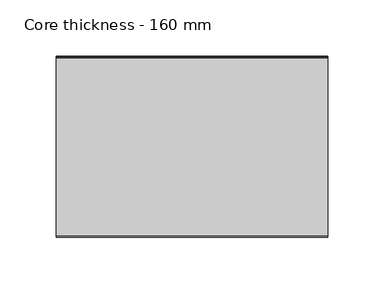
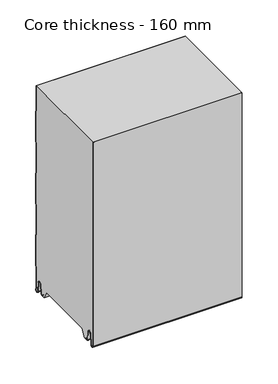
"""IFC4 building model written with IfcOpenShell, lengths in millimetres: plate geometry, Core thickness - 160 mm."""

from ifc_helpers import new_model, si_unit, frame, origin, place, context, project, spatial, polyline, circle_curve, source, transform, mapped, element, save
from ifc_brep_helpers import plane_surface, cylinder_surface, revolved_surface, advanced_brep


def core_thickness_160_mm_baa29268(model_context):
    return source(origin(), model_context, "Body", "AdvancedBrep", [
        advanced_brep(
        [(119.9999998, -159.9996949, 3.0900682), (119.9999998, -153.81449, 2.7875612), (119.9999998, -152.197116, 19.2828169), (119.9999998, -149.1776715, 21.9898782), (119.9999998, -146.1582271, 19.2828169), (119.9999998, -144.7725998, 5.1510966), (119.9999998, -140.3830995, 5.365779), (119.9999998, -141.1830995, 5.365779), (119.9999998, -143.9764178, 5.2291629), (119.9999998, -145.3620451, 19.3608832), (119.9999998, -149.1776715, 22.7899182), (119.9999998, -152.9932979, 19.3608832), (119.9999998, -154.6106719, 2.8656275), (119.9999998, -159.1996949, 3.0900682), (119.9999998, -159.2, 350.0), (119.9999998, -159.9996949, 350.0), (-119.9999998, -159.1996949, 3.0900682), (-119.9999998, -154.6106719, 2.8656275), (-119.9999998, -152.9932979, 19.3608832), (-119.9999998, -149.1776715, 22.7899182), (-119.9999998, -145.3620451, 19.3608832), (-119.9999998, -143.9764178, 5.2291629), (-119.9999998, -141.1830995, 5.365779), (-119.9999998, -140.3830995, 5.365779), (-119.9999998, -144.7725998, 5.1510966), (-119.9999998, -146.1582271, 19.2828169), (-119.9999998, -149.1776715, 21.9898782), (-119.9999998, -152.197116, 19.2828169), (-119.9999998, -153.81449, 2.7875612), (-119.9999998, -159.9996949, 3.0900682), (-119.9999998, -159.9996949, 350.0), (-119.9999998, -159.2, 350.0)],
        [
            (0, 1, circle_curve(frame((119.9999998, -156.8996949, 3.0900682), z_axis=(1.0, 0.0, 0.0), x_axis=(0.0, 0.0, -1.0)), 3.1)),
            (1, 2),
            (2, 3, circle_curve(frame((119.9999998, -149.2114338, 18.9900682), z_axis=(-1.0, 0.0, 0.0), x_axis=(0.0, 0.0, -1.0)), 3.0)),
            (3, 4, circle_curve(frame((119.9999998, -149.1439093, 18.9900682), z_axis=(-1.0, 0.0, 0.0), x_axis=(0.0, 0.0, -1.0)), 3.0)),
            (4, 5),
            (5, 6, circle_curve(frame((119.9999998, -142.5830995, 5.365779), z_axis=(1.0, 0.0, 0.0), x_axis=(0.0, 0.0, -1.0)), 2.2)),
            (6, 7),
            (7, 8, circle_curve(frame((119.9999998, -142.5830995, 5.365779), z_axis=(-1.0, 0.0, 0.0), x_axis=(0.0, 0.0, -1.0)), 1.4)),
            (8, 9),
            (9, 10, circle_curve(frame((119.9999998, -149.1439093, 18.9900682), z_axis=(1.0, 0.0, 0.0), x_axis=(0.0, 0.0, -1.0)), 3.8)),
            (10, 11, circle_curve(frame((119.9999998, -149.2114338, 18.9900682), z_axis=(1.0, 0.0, 0.0), x_axis=(0.0, 0.0, -1.0)), 3.8)),
            (11, 12),
            (12, 13, circle_curve(frame((119.9999998, -156.8996949, 3.0900682), z_axis=(-1.0, 0.0, 0.0), x_axis=(0.0, 0.0, -1.0)), 2.3)),
            (13, 14),
            (14, 15),
            (15, 0),
            (16, 17, circle_curve(frame((-119.9999998, -156.8996949, 3.0900682), z_axis=(1.0, 0.0, 0.0), x_axis=(0.0, 0.0, -1.0)), 2.3)),
            (17, 18),
            (18, 19, circle_curve(frame((-119.9999998, -149.2114338, 18.9900682), z_axis=(-1.0, 0.0, 0.0), x_axis=(0.0, 0.0, -1.0)), 3.8)),
            (19, 20, circle_curve(frame((-119.9999998, -149.1439093, 18.9900682), z_axis=(-1.0, 0.0, 0.0), x_axis=(0.0, 0.0, -1.0)), 3.8)),
            (20, 21),
            (21, 22, circle_curve(frame((-119.9999998, -142.5830995, 5.365779), z_axis=(1.0, 0.0, 0.0), x_axis=(0.0, 0.0, -1.0)), 1.4)),
            (22, 23),
            (23, 24, circle_curve(frame((-119.9999998, -142.5830995, 5.365779), z_axis=(-1.0, 0.0, 0.0), x_axis=(0.0, 0.0, -1.0)), 2.2)),
            (24, 25),
            (25, 26, circle_curve(frame((-119.9999998, -149.1439093, 18.9900682), z_axis=(1.0, 0.0, 0.0), x_axis=(0.0, 0.0, -1.0)), 3.0)),
            (26, 27, circle_curve(frame((-119.9999998, -149.2114338, 18.9900682), z_axis=(1.0, 0.0, 0.0), x_axis=(0.0, 0.0, -1.0)), 3.0)),
            (27, 28),
            (28, 29, circle_curve(frame((-119.9999998, -156.8996949, 3.0900682), z_axis=(-1.0, 0.0, 0.0), x_axis=(0.0, 0.0, -1.0)), 3.1)),
            (29, 30),
            (30, 31),
            (31, 16),
            (13, 16),
            (31, 14),
            (29, 0),
            (15, 30),
            (12, 17),
            (11, 18),
            (10, 19),
            (9, 20),
            (8, 21),
            (7, 22),
            (6, 23),
            (5, 24),
            (4, 25),
            (3, 26),
            (2, 27),
            (1, 28),
        ],
        [
            plane_surface(frame((119.9999998, -160.0, 0.0), z_axis=(1.0, 0.0, 0.0), x_axis=(0.0, 1.0, 0.0))),
            plane_surface(frame((-119.9999998, -160.0, 0.0), z_axis=(-1.0, 0.0, 0.0), x_axis=(0.0, 1.0, 0.0))),
            plane_surface(frame((119.9999998, -159.2, 3.0900682), z_axis=(0.0, 1.0, 0.0), x_axis=(-1.0, 0.0, 0.0))),
            plane_surface(frame((119.9999998, -159.9996949, 1143.9000005), z_axis=(0.0, -1.0, 0.0), x_axis=(-1.0, 0.0, 0.0))),
            revolved_surface(polyline([(-119.9999998, -156.8996949, 0.7900682000000003), (119.9999998, -156.8996949, 0.7900682000000003)]), (119.9999998, -156.8996949, 3.0900682), (-1.0, 0.0, 0.0)),
            plane_surface(frame((119.9999998, -152.9932979, 19.3608832), z_axis=(0.0, -0.9952273999818314, 0.09758289975914787), x_axis=(-1.0, 0.0, 0.0))),
            cylinder_surface(frame((119.9999998, -149.2114338, 18.9900682), z_axis=(1.0, 0.0, 0.0), x_axis=(0.0, 0.0, -1.0)), 3.8),
            cylinder_surface(frame((119.9999998, -149.1439093, 18.9900682), z_axis=(1.0, 0.0, 0.0), x_axis=(0.0, 0.0, -1.0)), 3.8),
            plane_surface(frame((119.9999998, -143.9764178, 5.2291629), z_axis=(0.0, 0.9952273999818297, 0.09758289975916531), x_axis=(-1.0, 0.0, 0.0))),
            revolved_surface(polyline([(-119.9999998, -142.5830995, 3.965779), (119.9999998, -142.5830995, 3.965779)]), (119.9999998, -142.5830995, 5.365779), (-1.0, 0.0, 0.0)),
            plane_surface(frame((119.9999998, -140.3830995, 5.365779), z_axis=(0.0, 0.0, 1.0), x_axis=(-1.0, 0.0, 0.0))),
            cylinder_surface(frame((119.9999998, -142.5830995, 5.365779), z_axis=(1.0, 0.0, 0.0), x_axis=(0.0, 0.0, -1.0)), 2.2),
            plane_surface(frame((119.9999998, -146.1582271, 19.2828169), z_axis=(0.0, -0.9952273999818296, -0.09758289975916527), x_axis=(-1.0, 0.0, 0.0))),
            revolved_surface(polyline([(-119.9999998, -149.1439093, 15.9900682), (119.9999998, -149.1439093, 15.9900682)]), (119.9999998, -149.1439093, 18.9900682), (-1.0, 0.0, 0.0)),
            revolved_surface(polyline([(-119.9999998, -149.2114338, 15.9900682), (119.9999998, -149.2114338, 15.9900682)]), (119.9999998, -149.2114338, 18.9900682), (-1.0, 0.0, 0.0)),
            plane_surface(frame((119.9999998, -153.81449, 2.7875612), z_axis=(0.0, 0.9952273999818314, -0.09758289975914787), x_axis=(-1.0, 0.0, 0.0))),
            cylinder_surface(frame((119.9999998, -156.8996949, 3.0900682), z_axis=(1.0, 0.0, 0.0), x_axis=(0.0, 0.0, -1.0)), 3.1),
            plane_surface(frame((-119.9999998, 134.0533409, 350.0), z_axis=(0.0, 0.0, 1.0), x_axis=(1.0, 0.0, 0.0))),
        ],
        [
            (0, [[1, 2, 3, 4, 5, 6, 7, 8, 9, 10, 11, 12, 13, 14, 15, 16]]),
            (1, [[17, 18, 19, 20, 21, 22, 23, 24, 25, 26, 27, 28, 29, 30, 31, 32]]),
            (2, [[33, -32, 34, -14]]),
            (3, [[35, -16, 36, -30]]),
            (4, [[-13, 37, -17, -33]]),
            (5, [[-12, 38, -18, -37]]),
            (6, [[-11, 39, -19, -38]]),
            (7, [[-10, 40, -20, -39]]),
            (8, [[-9, 41, -21, -40]]),
            (9, [[-8, 42, -22, -41]]),
            (10, [[-7, 43, -23, -42]]),
            (11, [[-6, 44, -24, -43]]),
            (12, [[-5, 45, -25, -44]]),
            (13, [[-4, 46, -26, -45]]),
            (14, [[-3, 47, -27, -46]]),
            (15, [[-2, 48, -28, -47]]),
            (16, [[-1, -35, -29, -48]]),
            (17, [[-15, -34, -31, -36]]),
        ],
    ),
        advanced_brep(
        [(119.9999998, -129.873448, 15.1417681), (119.9999998, -30.126552, 15.1417681), (119.9999998, -23.4071318, 3.165779), (119.9999998, -17.4169005, 3.165779), (119.9999998, -19.6169005, 5.365779), (119.9999998, -18.8169005, 5.365779), (119.9999998, -16.0235822, 5.2291629), (119.9999998, -14.6379549, 19.3608832), (119.9999998, -10.8223285, 22.7899182), (119.9999998, -7.0067021, 19.3608832), (119.9999998, -5.3893281, 2.8656275), (119.9999998, -1.0794848, 4.1883784), (119.9999998, -1.5003051, 5.8439114), (119.9999998, -1.5003051, 42.0511837), (119.9999998, -1.0971009, 43.4705951), (119.9999998, -0.8, 44.5229805), (119.9999998, -0.8, 94.6827637), (119.9999998, -1.0986697, 95.7341795), (119.9999998, -1.5003051, 97.1545605), (119.9999998, -1.5003051, 147.3143437), (119.9999998, -1.0971009, 148.7337551), (119.9999998, -0.8, 149.7861405), (119.9999998, -0.8, 199.9459237), (119.9999998, -1.0986697, 200.9973395), (119.9999998, -1.5003051, 202.4177205), (119.9999998, -1.5003051, 252.5775037), (119.9999998, -1.0971009, 253.9969151), (119.9999998, -0.8, 255.0493005), (119.9999998, -0.8, 305.2090837), (119.9999998, -1.0986697, 306.2604995), (119.9999998, -1.5003051, 307.6808805), (119.9999998, -1.5003051, 350.0), (119.9999998, -159.2, 350.0), (119.9999998, -159.2, 3.0900682), (119.9999998, -154.6106719, 2.8656275), (119.9999998, -152.9932979, 19.3608832), (119.9999998, -149.1776715, 22.7899182), (119.9999998, -145.3620451, 19.3608832), (119.9999998, -143.9764178, 5.2291629), (119.9999998, -141.1830995, 5.365779), (119.9999998, -140.3830995, 5.365779), (119.9999998, -142.5830995, 3.165779), (119.9999998, -136.5928682, 3.165779), (-119.9999998, -30.126552, 15.1417681), (-119.9999998, -129.873448, 15.1417681), (-119.9999998, -136.5928682, 3.165779), (-119.9999998, -142.5830995, 3.165779), (-119.9999998, -140.3830995, 5.365779), (-119.9999998, -141.1830995, 5.365779), (-119.9999998, -143.9764178, 5.2291629), (-119.9999998, -145.3620451, 19.3608832), (-119.9999998, -149.1776715, 22.7899182), (-119.9999998, -152.9932979, 19.3608832), (-119.9999998, -154.6106719, 2.8656275), (-119.9999998, -159.1996949, 3.0900682), (-119.9999998, -159.2, 350.0), (-119.9999998, -1.5003051, 350.0), (-119.9999998, -1.5003051, 307.6808805), (-119.9999998, -1.0971009, 306.2614691), (-119.9999998, -0.8, 305.2090837), (-119.9999998, -0.8, 255.0493005), (-119.9999998, -1.0986697, 253.9978846), (-119.9999998, -1.5003051, 252.5775037), (-119.9999998, -1.5003051, 202.4177205), (-119.9999998, -1.0971009, 200.9983091), (-119.9999998, -0.8, 199.9459237), (-119.9999998, -0.8, 149.7861405), (-119.9999998, -1.0986697, 148.7347246), (-119.9999998, -1.5003051, 147.3143437), (-119.9999998, -1.5003051, 97.1545605), (-119.9999998, -1.0971009, 95.7351491), (-119.9999998, -0.8, 94.6827637), (-119.9999998, -0.8, 44.5229805), (-119.9999998, -1.0986697, 43.4715646), (-119.9999998, -1.5003051, 42.0511837), (-119.9999998, -1.5003051, 5.8439114), (-119.9999998, -1.0794848, 4.1883784), (-119.9999998, -5.3893281, 2.8656275), (-119.9999998, -7.0067021, 19.3608832), (-119.9999998, -10.8223285, 22.7899182), (-119.9999998, -14.6379549, 19.3608832), (-119.9999998, -16.0235822, 5.2291629), (-119.9999998, -18.8169005, 5.365779), (-119.9999998, -19.6169005, 5.365779), (-119.9999998, -17.4169005, 3.165779), (-119.9999998, -23.4071318, 3.165779)],
        [
            (0, 1),
            (1, 2),
            (2, 3),
            (3, 4, circle_curve(frame((119.9999998, -17.4169005, 5.365779), z_axis=(-1.0, 0.0, 0.0), x_axis=(0.0, 0.0, -1.0)), 2.2)),
            (4, 5),
            (5, 6, circle_curve(frame((119.9999998, -17.4169005, 5.365779), z_axis=(1.0, 0.0, 0.0), x_axis=(0.0, 0.0, -1.0)), 1.4)),
            (6, 7),
            (7, 8, circle_curve(frame((119.9999998, -10.8560907, 18.9900682), z_axis=(-1.0, 0.0, 0.0), x_axis=(0.0, 0.0, -1.0)), 3.8)),
            (8, 9, circle_curve(frame((119.9999998, -10.7885662, 18.9900682), z_axis=(-1.0, 0.0, 0.0), x_axis=(0.0, 0.0, -1.0)), 3.8)),
            (9, 10),
            (10, 11, circle_curve(frame((119.9999998, -3.1003051, 3.0900682), z_axis=(1.0, 0.0, 0.0), x_axis=(0.0, 0.0, -1.0)), 2.3)),
            (11, 12, circle_curve(frame((119.9999998, 1.9665895, 5.8439114), z_axis=(-1.0, 0.0, 0.0), x_axis=(0.0, 0.0, -1.0)), 3.4668946)),
            (12, 13),
            (13, 14, circle_curve(frame((119.9999998, 1.1996949, 42.0511837), z_axis=(-1.0, 0.0, 0.0), x_axis=(0.0, 0.0, -1.0)), 2.7)),
            (14, 15, circle_curve(frame((119.9999998, -2.8, 44.5229805), z_axis=(1.0, 0.0, 0.0), x_axis=(0.0, 0.0, -1.0)), 2.0)),
            (15, 16),
            (16, 17, circle_curve(frame((119.9999998, -2.8, 94.6827637), z_axis=(1.0, 0.0, 0.0), x_axis=(0.0, 0.0, -1.0)), 2.0)),
            (17, 18, circle_curve(frame((119.9999998, 1.1996949, 97.1545605), z_axis=(-1.0, 0.0, 0.0), x_axis=(0.0, 0.0, -1.0)), 2.7)),
            (18, 19),
            (19, 20, circle_curve(frame((119.9999998, 1.1996949, 147.3143437), z_axis=(-1.0, 0.0, 0.0), x_axis=(0.0, 0.0, -1.0)), 2.7)),
            (20, 21, circle_curve(frame((119.9999998, -2.8, 149.7861405), z_axis=(1.0, 0.0, 0.0), x_axis=(0.0, 0.0, -1.0)), 2.0)),
            (21, 22),
            (22, 23, circle_curve(frame((119.9999998, -2.8, 199.9459237), z_axis=(1.0, 0.0, 0.0), x_axis=(0.0, 0.0, -1.0)), 2.0)),
            (23, 24, circle_curve(frame((119.9999998, 1.1996949, 202.4177205), z_axis=(-1.0, 0.0, 0.0), x_axis=(0.0, 0.0, -1.0)), 2.7)),
            (24, 25),
            (25, 26, circle_curve(frame((119.9999998, 1.1996949, 252.5775037), z_axis=(-1.0, 0.0, 0.0), x_axis=(0.0, 0.0, -1.0)), 2.7)),
            (26, 27, circle_curve(frame((119.9999998, -2.8, 255.0493005), z_axis=(1.0, 0.0, 0.0), x_axis=(0.0, 0.0, -1.0)), 2.0)),
            (27, 28),
            (28, 29, circle_curve(frame((119.9999998, -2.8, 305.2090837), z_axis=(1.0, 0.0, 0.0), x_axis=(0.0, 0.0, -1.0)), 2.0)),
            (29, 30, circle_curve(frame((119.9999998, 1.1996949, 307.6808805), z_axis=(-1.0, 0.0, 0.0), x_axis=(0.0, 0.0, -1.0)), 2.7)),
            (30, 31),
            (31, 32),
            (32, 33),
            (33, 34, circle_curve(frame((119.9999998, -156.8996949, 3.0900682), z_axis=(1.0, 0.0, 0.0), x_axis=(0.0, 0.0, -1.0)), 2.3)),
            (34, 35),
            (35, 36, circle_curve(frame((119.9999998, -149.2114338, 18.9900682), z_axis=(-1.0, 0.0, 0.0), x_axis=(0.0, 0.0, -1.0)), 3.8)),
            (36, 37, circle_curve(frame((119.9999998, -149.1439093, 18.9900682), z_axis=(-1.0, 0.0, 0.0), x_axis=(0.0, 0.0, -1.0)), 3.8)),
            (37, 38),
            (38, 39, circle_curve(frame((119.9999998, -142.5830995, 5.365779), z_axis=(1.0, 0.0, 0.0), x_axis=(0.0, 0.0, -1.0)), 1.4)),
            (39, 40),
            (40, 41, circle_curve(frame((119.9999998, -142.5830995, 5.365779), z_axis=(-1.0, 0.0, 0.0), x_axis=(0.0, 0.0, -1.0)), 2.2)),
            (41, 42),
            (42, 0),
            (43, 44),
            (44, 45),
            (45, 46),
            (46, 47, circle_curve(frame((-119.9999998, -142.5830995, 5.365779), z_axis=(1.0, 0.0, 0.0), x_axis=(0.0, 0.0, -1.0)), 2.2)),
            (47, 48),
            (48, 49, circle_curve(frame((-119.9999998, -142.5830995, 5.365779), z_axis=(-1.0, 0.0, 0.0), x_axis=(0.0, 0.0, -1.0)), 1.4)),
            (49, 50),
            (50, 51, circle_curve(frame((-119.9999998, -149.1439093, 18.9900682), z_axis=(1.0, 0.0, 0.0), x_axis=(0.0, 0.0, -1.0)), 3.8)),
            (51, 52, circle_curve(frame((-119.9999998, -149.2114338, 18.9900682), z_axis=(1.0, 0.0, 0.0), x_axis=(0.0, 0.0, -1.0)), 3.8)),
            (52, 53),
            (53, 54, circle_curve(frame((-119.9999998, -156.8996949, 3.0900682), z_axis=(-1.0, 0.0, 0.0), x_axis=(0.0, 0.0, -1.0)), 2.3)),
            (54, 55),
            (55, 56),
            (56, 57),
            (57, 58, circle_curve(frame((-119.9999998, 1.1996949, 307.6808805), z_axis=(1.0, 0.0, 0.0), x_axis=(0.0, 0.0, -1.0)), 2.7)),
            (58, 59, circle_curve(frame((-119.9999998, -2.8, 305.2090837), z_axis=(-1.0, 0.0, 0.0), x_axis=(0.0, 0.0, -1.0)), 2.0)),
            (59, 60),
            (60, 61, circle_curve(frame((-119.9999998, -2.8, 255.0493005), z_axis=(-1.0, 0.0, 0.0), x_axis=(0.0, 0.0, -1.0)), 2.0)),
            (61, 62, circle_curve(frame((-119.9999998, 1.1996949, 252.5775037), z_axis=(1.0, 0.0, 0.0), x_axis=(0.0, 0.0, -1.0)), 2.7)),
            (62, 63),
            (63, 64, circle_curve(frame((-119.9999998, 1.1996949, 202.4177205), z_axis=(1.0, 0.0, 0.0), x_axis=(0.0, 0.0, -1.0)), 2.7)),
            (64, 65, circle_curve(frame((-119.9999998, -2.8, 199.9459237), z_axis=(-1.0, 0.0, 0.0), x_axis=(0.0, 0.0, -1.0)), 2.0)),
            (65, 66),
            (66, 67, circle_curve(frame((-119.9999998, -2.8, 149.7861405), z_axis=(-1.0, 0.0, 0.0), x_axis=(0.0, 0.0, -1.0)), 2.0)),
            (67, 68, circle_curve(frame((-119.9999998, 1.1996949, 147.3143437), z_axis=(1.0, 0.0, 0.0), x_axis=(0.0, 0.0, -1.0)), 2.7)),
            (68, 69),
            (69, 70, circle_curve(frame((-119.9999998, 1.1996949, 97.1545605), z_axis=(1.0, 0.0, 0.0), x_axis=(0.0, 0.0, -1.0)), 2.7)),
            (70, 71, circle_curve(frame((-119.9999998, -2.8, 94.6827637), z_axis=(-1.0, 0.0, 0.0), x_axis=(0.0, 0.0, -1.0)), 2.0)),
            (71, 72),
            (72, 73, circle_curve(frame((-119.9999998, -2.8, 44.5229805), z_axis=(-1.0, 0.0, 0.0), x_axis=(0.0, 0.0, -1.0)), 2.0)),
            (73, 74, circle_curve(frame((-119.9999998, 1.1996949, 42.0511837), z_axis=(1.0, 0.0, 0.0), x_axis=(0.0, 0.0, -1.0)), 2.7)),
            (74, 75),
            (75, 76, circle_curve(frame((-119.9999998, 1.9665895, 5.8439114), z_axis=(1.0, 0.0, 0.0), x_axis=(0.0, 0.0, -1.0)), 3.4668946)),
            (76, 77, circle_curve(frame((-119.9999998, -3.1003051, 3.0900682), z_axis=(-1.0, 0.0, 0.0), x_axis=(0.0, 0.0, -1.0)), 2.3)),
            (77, 78),
            (78, 79, circle_curve(frame((-119.9999998, -10.7885662, 18.9900682), z_axis=(1.0, 0.0, 0.0), x_axis=(0.0, 0.0, -1.0)), 3.8)),
            (79, 80, circle_curve(frame((-119.9999998, -10.8560907, 18.9900682), z_axis=(1.0, 0.0, 0.0), x_axis=(0.0, 0.0, -1.0)), 3.8)),
            (80, 81),
            (81, 82, circle_curve(frame((-119.9999998, -17.4169005, 5.365779), z_axis=(-1.0, 0.0, 0.0), x_axis=(0.0, 0.0, -1.0)), 1.4)),
            (82, 83),
            (83, 84, circle_curve(frame((-119.9999998, -17.4169005, 5.365779), z_axis=(1.0, 0.0, 0.0), x_axis=(0.0, 0.0, -1.0)), 2.2)),
            (84, 85),
            (85, 43),
            (1, 43),
            (85, 2),
            (0, 44),
            (42, 45),
            (64, 23),
            (22, 65),
            (63, 24),
            (62, 25),
            (61, 26),
            (60, 27),
            (59, 28),
            (58, 29),
            (57, 30),
            (56, 31),
            (54, 33),
            (32, 55),
            (84, 3),
            (41, 46),
            (83, 4),
            (82, 5),
            (81, 6),
            (80, 7),
            (79, 8),
            (78, 9),
            (77, 10),
            (76, 11),
            (75, 12),
            (74, 13),
            (73, 14),
            (72, 15),
            (71, 16),
            (70, 17),
            (69, 18),
            (68, 19),
            (67, 20),
            (66, 21),
            (53, 34),
            (52, 35),
            (51, 36),
            (50, 37),
            (49, 38),
            (48, 39),
            (47, 40),
        ],
        [
            plane_surface(frame((119.9999998, 0.0, 0.0), z_axis=(1.0, 0.0, 0.0), x_axis=(0.0, -1.0, 0.0))),
            plane_surface(frame((-119.9999998, 0.0, 0.0), z_axis=(-1.0, 0.0, 0.0), x_axis=(0.0, -1.0, 0.0))),
            plane_surface(frame((119.9999998, -30.126552, 15.1417681), z_axis=(0.0, -0.8721062992196836, -0.4893164649399687), x_axis=(-1.0, 0.0, 0.0))),
            plane_surface(frame((119.9999998, -129.873448, 15.1417681), z_axis=(0.0, 0.0, -1.0), x_axis=(-1.0, 0.0, 0.0))),
            plane_surface(frame((119.9999998, -136.8190247, 2.7627014), z_axis=(0.0, 0.8721062992196832, -0.4893164649399697), x_axis=(-1.0, 0.0, 0.0))),
            cylinder_surface(frame((249.9999998, -2.8, 199.9459237), z_axis=(-1.0, 0.0, 0.0), x_axis=(0.0, 0.0, -1.0)), 2.0),
            revolved_surface(polyline([(119.99999980000001, 1.1996949, 199.7177205), (-119.99999980000001, 1.1996949, 199.7177205)]), (249.9999998, 1.1996949, 202.4177205), (1.0, 0.0, 0.0)),
            plane_surface(frame((249.9999998, -1.5003051, 252.5775037), z_axis=(0.0, 1.0, 0.0), x_axis=(-1.0, 0.0, 0.0))),
            revolved_surface(polyline([(119.99999980000001, 1.1996949, 249.8775037), (-119.99999980000001, 1.1996949, 249.8775037)]), (249.9999998, 1.1996949, 252.5775037), (1.0, 0.0, 0.0)),
            cylinder_surface(frame((249.9999998, -2.8, 255.0493005), z_axis=(-1.0, 0.0, 0.0), x_axis=(0.0, 0.0, -1.0)), 2.0),
            plane_surface(frame((249.9999998, -0.8, 305.2090837), z_axis=(0.0, 1.0, 0.0), x_axis=(-1.0, 0.0, 0.0))),
            cylinder_surface(frame((249.9999998, -2.8, 305.2090837), z_axis=(-1.0, 0.0, 0.0), x_axis=(0.0, 0.0, -1.0)), 2.0),
            revolved_surface(polyline([(119.99999980000001, 1.1996949, 304.9808805), (-119.99999980000001, 1.1996949, 304.9808805)]), (249.9999998, 1.1996949, 307.6808805), (1.0, 0.0, 0.0)),
            plane_surface(frame((249.9999998, -1.5003051, 357.8406637), z_axis=(0.0, 1.0, 0.0), x_axis=(-1.0, 0.0, 0.0))),
            plane_surface(frame((249.9999998, -159.2, 3.0900682), z_axis=(0.0, -1.0, 0.0), x_axis=(-1.0, 0.0, 0.0))),
            plane_surface(frame((-119.9999998, -142.5830995, 3.165779), z_axis=(0.0, 0.0, -1.0), x_axis=(1.0, 0.0, 0.0))),
            revolved_surface(polyline([(119.99999980000001, -17.4169005, 3.1657789999999997), (-119.99999980000001, -17.4169005, 3.1657789999999997)]), (249.9999998, -17.4169005, 5.365779), (1.0, 0.0, 0.0)),
            plane_surface(frame((249.9999998, -18.8169005, 5.365779), z_axis=(0.0, 0.0, -1.0), x_axis=(-1.0, 0.0, 0.0))),
            cylinder_surface(frame((249.9999998, -17.4169005, 5.365779), z_axis=(-1.0, 0.0, 0.0), x_axis=(0.0, 0.0, -1.0)), 1.4),
            plane_surface(frame((249.9999998, -14.6379549, 19.3608832), z_axis=(0.0, 0.9952273999818297, -0.09758289975916531), x_axis=(-1.0, 0.0, 0.0))),
            revolved_surface(polyline([(119.99999980000001, -10.8560907, 15.190068199999999), (-119.99999980000001, -10.8560907, 15.190068199999999)]), (249.9999998, -10.8560907, 18.9900682), (1.0, 0.0, 0.0)),
            revolved_surface(polyline([(119.99999980000001, -10.7885662, 15.190068199999999), (-119.99999980000001, -10.7885662, 15.190068199999999)]), (249.9999998, -10.7885662, 18.9900682), (1.0, 0.0, 0.0)),
            plane_surface(frame((249.9999998, -5.3893281, 2.8656275), z_axis=(0.0, -0.9952273999818314, -0.09758289975914787), x_axis=(-1.0, 0.0, 0.0))),
            cylinder_surface(frame((249.9999998, -3.1003051, 3.0900682), z_axis=(-1.0, 0.0, 0.0), x_axis=(0.0, 0.0, -1.0)), 2.3),
            revolved_surface(polyline([(119.99999980000001, 1.9665895, 2.3770168), (-119.99999980000001, 1.9665895, 2.3770168)]), (249.9999998, 1.9665895, 5.8439114), (1.0, 0.0, 0.0)),
            plane_surface(frame((249.9999998, -1.5003051, 42.0511837), z_axis=(0.0, 1.0, 0.0), x_axis=(-1.0, 0.0, 0.0))),
            revolved_surface(polyline([(119.99999980000001, 1.1996949, 39.3511837), (-119.99999980000001, 1.1996949, 39.3511837)]), (249.9999998, 1.1996949, 42.0511837), (1.0, 0.0, 0.0)),
            cylinder_surface(frame((249.9999998, -2.8, 44.5229805), z_axis=(-1.0, 0.0, 0.0), x_axis=(0.0, 0.0, -1.0)), 2.0),
            plane_surface(frame((249.9999998, -0.8, 94.6827637), z_axis=(0.0, 1.0, 0.0), x_axis=(-1.0, 0.0, 0.0))),
            cylinder_surface(frame((249.9999998, -2.8, 94.6827637), z_axis=(-1.0, 0.0, 0.0), x_axis=(0.0, 0.0, -1.0)), 2.0),
            revolved_surface(polyline([(119.99999980000001, 1.1996949, 94.4545605), (-119.99999980000001, 1.1996949, 94.4545605)]), (249.9999998, 1.1996949, 97.1545605), (1.0, 0.0, 0.0)),
            plane_surface(frame((249.9999998, -1.5003051, 147.3143437), z_axis=(0.0, 1.0, 0.0), x_axis=(-1.0, 0.0, 0.0))),
            revolved_surface(polyline([(119.99999980000001, 1.1996949, 144.6143437), (-119.99999980000001, 1.1996949, 144.6143437)]), (249.9999998, 1.1996949, 147.3143437), (1.0, 0.0, 0.0)),
            cylinder_surface(frame((249.9999998, -2.8, 149.7861405), z_axis=(-1.0, 0.0, 0.0), x_axis=(0.0, 0.0, -1.0)), 2.0),
            plane_surface(frame((249.9999998, -0.8, 199.9459237), z_axis=(0.0, 1.0, 0.0), x_axis=(-1.0, 0.0, 0.0))),
            cylinder_surface(frame((249.9999998, -156.8996949, 3.0900682), z_axis=(-1.0, 0.0, 0.0), x_axis=(0.0, 0.0, -1.0)), 2.3),
            plane_surface(frame((249.9999998, -152.9932979, 19.3608832), z_axis=(0.0, 0.9952273999818314, -0.09758289975914787), x_axis=(-1.0, 0.0, 0.0))),
            revolved_surface(polyline([(119.99999980000001, -149.2114338, 15.190068199999999), (-119.99999980000001, -149.2114338, 15.190068199999999)]), (249.9999998, -149.2114338, 18.9900682), (1.0, 0.0, 0.0)),
            revolved_surface(polyline([(119.99999980000001, -149.1439093, 15.190068199999999), (-119.99999980000001, -149.1439093, 15.190068199999999)]), (249.9999998, -149.1439093, 18.9900682), (1.0, 0.0, 0.0)),
            plane_surface(frame((249.9999998, -143.9764178, 5.2291629), z_axis=(0.0, -0.9952273999818297, -0.09758289975916531), x_axis=(-1.0, 0.0, 0.0))),
            cylinder_surface(frame((249.9999998, -142.5830995, 5.365779), z_axis=(-1.0, 0.0, 0.0), x_axis=(0.0, 0.0, -1.0)), 1.4),
            plane_surface(frame((249.9999998, -140.3830995, 5.365779), z_axis=(0.0, 0.0, -1.0), x_axis=(-1.0, 0.0, 0.0))),
            revolved_surface(polyline([(119.99999980000001, -142.5830995, 3.1657789999999997), (-119.99999980000001, -142.5830995, 3.1657789999999997)]), (249.9999998, -142.5830995, 5.365779), (1.0, 0.0, 0.0)),
            plane_surface(frame((-119.9999998, 134.0533409, 350.0), z_axis=(0.0, 0.0, 1.0), x_axis=(1.0, 0.0, 0.0))),
        ],
        [
            (0, [[1, 2, 3, 4, 5, 6, 7, 8, 9, 10, 11, 12, 13, 14, 15, 16, 17, 18, 19, 20, 21, 22, 23, 24, 25, 26, 27, 28, 29, 30, 31, 32, 33, 34, 35, 36, 37, 38, 39, 40, 41, 42, 43]]),
            (1, [[44, 45, 46, 47, 48, 49, 50, 51, 52, 53, 54, 55, 56, 57, 58, 59, 60, 61, 62, 63, 64, 65, 66, 67, 68, 69, 70, 71, 72, 73, 74, 75, 76, 77, 78, 79, 80, 81, 82, 83, 84, 85, 86]]),
            (2, [[87, -86, 88, -2]]),
            (3, [[-1, 89, -44, -87]]),
            (4, [[-89, -43, 90, -45]]),
            (5, [[91, -23, 92, -65]]),
            (6, [[-91, -64, 93, -24]]),
            (7, [[-93, -63, 94, -25]]),
            (8, [[-94, -62, 95, -26]]),
            (9, [[-95, -61, 96, -27]]),
            (10, [[-96, -60, 97, -28]]),
            (11, [[-97, -59, 98, -29]]),
            (12, [[-98, -58, 99, -30]]),
            (13, [[-99, -57, 100, -31]]),
            (14, [[101, -33, 102, -55]]),
            (15, [[-3, -88, -85, 103]]),
            (15, [[-42, 104, -46, -90]]),
            (16, [[105, -4, -103, -84]]),
            (17, [[-105, -83, 106, -5]]),
            (18, [[-106, -82, 107, -6]]),
            (19, [[-107, -81, 108, -7]]),
            (20, [[-108, -80, 109, -8]]),
            (21, [[-109, -79, 110, -9]]),
            (22, [[-110, -78, 111, -10]]),
            (23, [[-111, -77, 112, -11]]),
            (24, [[-112, -76, 113, -12]]),
            (25, [[-113, -75, 114, -13]]),
            (26, [[-114, -74, 115, -14]]),
            (27, [[-115, -73, 116, -15]]),
            (28, [[-116, -72, 117, -16]]),
            (29, [[-117, -71, 118, -17]]),
            (30, [[-118, -70, 119, -18]]),
            (31, [[-119, -69, 120, -19]]),
            (32, [[-120, -68, 121, -20]]),
            (33, [[-121, -67, 122, -21]]),
            (34, [[-122, -66, -92, -22]]),
            (35, [[-101, -54, 123, -34]]),
            (36, [[-123, -53, 124, -35]]),
            (37, [[-124, -52, 125, -36]]),
            (38, [[-125, -51, 126, -37]]),
            (39, [[-126, -50, 127, -38]]),
            (40, [[-127, -49, 128, -39]]),
            (41, [[-128, -48, 129, -40]]),
            (42, [[-129, -47, -104, -41]]),
            (43, [[-100, -56, -102, -32]]),
        ],
    ),
        advanced_brep(
        [(-119.9999998, -0.7003051, 307.6808805), (-119.9999998, -0.4016712, 306.6295226), (-119.9999998, -0.0003051, 305.2090837), (-119.9999998, -0.0003051, 255.0493005), (-119.9999998, -0.4034608, 253.6299674), (-119.9999998, -0.7003051, 252.5775037), (-119.9999998, -0.7003051, 202.4177205), (-119.9999998, -0.4016712, 201.3663626), (-119.9999998, -0.0003051, 199.9459237), (-119.9999998, -0.0003051, 149.7861405), (-119.9999998, -0.4034608, 148.3668074), (-119.9999998, -0.7003051, 147.3143437), (-119.9999998, -0.7003051, 97.1545605), (-119.9999998, -0.4016712, 96.1032026), (-119.9999998, -0.0003051, 94.6827637), (-119.9999998, -0.0003051, 44.5229805), (-119.9999998, -0.4034608, 43.1036474), (-119.9999998, -0.7003051, 42.0511837), (-119.9999998, -0.7003051, 6.8391397), (-119.9999998, -0.2091664, 4.208691), (-119.9999998, -6.18551, 2.7875612), (-119.9999998, -7.802884, 19.2828169), (-119.9999998, -10.8223285, 21.9898782), (-119.9999998, -13.8417729, 19.2828169), (-119.9999998, -15.2274002, 5.1510966), (-119.9999998, -19.6169005, 5.365779), (-119.9999998, -18.8169005, 5.365779), (-119.9999998, -16.0235822, 5.2291629), (-119.9999998, -14.6379549, 19.3608832), (-119.9999998, -10.8223285, 22.7899182), (-119.9999998, -7.0067021, 19.3608832), (-119.9999998, -5.3893281, 2.8656275), (-119.9999998, -1.0794848, 4.1883784), (-119.9999998, -1.5003051, 5.8439114), (-119.9999998, -1.5003051, 42.0511837), (-119.9999998, -1.0971009, 43.4705951), (-119.9999998, -0.8, 44.5229805), (-119.9999998, -0.8, 94.6827637), (-119.9999998, -1.0986697, 95.7341795), (-119.9999998, -1.5003051, 97.1545605), (-119.9999998, -1.5003051, 147.3143437), (-119.9999998, -1.0971009, 148.7337551), (-119.9999998, -0.8, 149.7861405), (-119.9999998, -0.8, 199.9459237), (-119.9999998, -1.0986697, 200.9973395), (-119.9999998, -1.5003051, 202.4177205), (-119.9999998, -1.5003051, 252.5775037), (-119.9999998, -1.0971009, 253.9969151), (-119.9999998, -0.8, 255.0493005), (-119.9999998, -0.8, 305.2090837), (-119.9999998, -1.0986697, 306.2604995), (-119.9999998, -1.5003051, 307.6808805), (-119.9999998, -1.5003051, 350.0), (-119.9999998, -0.7003051, 350.0), (119.9999998, -1.5003051, 307.6808805), (119.9999998, -1.0971009, 306.2614691), (119.9999998, -0.8, 305.2090837), (119.9999998, -0.8, 255.0493005), (119.9999998, -1.0986697, 253.9978846), (119.9999998, -1.5003051, 252.5775037), (119.9999998, -1.5003051, 202.4177205), (119.9999998, -1.0971009, 200.9983091), (119.9999998, -0.8, 199.9459237), (119.9999998, -0.8, 149.7861405), (119.9999998, -1.0986697, 148.7347246), (119.9999998, -1.5003051, 147.3143437), (119.9999998, -1.5003051, 97.1545605), (119.9999998, -1.0971009, 95.7351491), (119.9999998, -0.8, 94.6827637), (119.9999998, -0.8, 44.5229805), (119.9999998, -1.0986697, 43.4715646), (119.9999998, -1.5003051, 42.0511837), (119.9999998, -1.5003051, 5.8439114), (119.9999998, -1.0794848, 4.1883784), (119.9999998, -5.3893281, 2.8656275), (119.9999998, -7.0067021, 19.3608832), (119.9999998, -10.8223285, 22.7899182), (119.9999998, -14.6379549, 19.3608832), (119.9999998, -16.0235822, 5.2291629), (119.9999998, -18.8169005, 5.365779), (119.9999998, -19.6169005, 5.365779), (119.9999998, -15.2274002, 5.1510966), (119.9999998, -13.8417729, 19.2828169), (119.9999998, -10.8223285, 21.9898782), (119.9999998, -7.802884, 19.2828169), (119.9999998, -6.18551, 2.7875612), (119.9999998, -0.2091664, 4.208691), (119.9999998, -0.7003051, 6.8391397), (119.9999998, -0.7003051, 42.0511837), (119.9999998, -0.4016712, 43.1025415), (119.9999998, -0.0003051, 44.5229805), (119.9999998, -0.0003051, 94.6827637), (119.9999998, -0.4034608, 96.1020968), (119.9999998, -0.7003051, 97.1545605), (119.9999998, -0.7003051, 147.3143437), (119.9999998, -0.4016712, 148.3657015), (119.9999998, -0.0003051, 149.7861405), (119.9999998, -0.0003051, 199.9459237), (119.9999998, -0.4034608, 201.3652568), (119.9999998, -0.7003051, 202.4177205), (119.9999998, -0.7003051, 252.5775037), (119.9999998, -0.4016712, 253.6288615), (119.9999998, -0.0003051, 255.0493005), (119.9999998, -0.0003051, 305.2090837), (119.9999998, -0.4034608, 306.6284168), (119.9999998, -0.7003051, 307.6808805), (119.9999998, -0.7003051, 350.0), (119.9999998, -1.5003051, 350.0)],
        [
            (0, 1, circle_curve(frame((-119.9999998, 1.2996949, 307.6808805), z_axis=(1.0, 0.0, 0.0), x_axis=(0.0, 0.0, -1.0)), 2.0)),
            (1, 2, circle_curve(frame((-119.9999998, -2.7003051, 305.2090837), z_axis=(-1.0, 0.0, 0.0), x_axis=(0.0, 0.0, -1.0)), 2.7)),
            (2, 3),
            (3, 4, circle_curve(frame((-119.9999998, -2.7003051, 255.0493005), z_axis=(-1.0, 0.0, 0.0), x_axis=(0.0, 0.0, -1.0)), 2.7)),
            (4, 5, circle_curve(frame((-119.9999998, 1.2996949, 252.5775037), z_axis=(1.0, 0.0, 0.0), x_axis=(0.0, 0.0, -1.0)), 2.0)),
            (5, 6),
            (6, 7, circle_curve(frame((-119.9999998, 1.2996949, 202.4177205), z_axis=(1.0, 0.0, 0.0), x_axis=(0.0, 0.0, -1.0)), 2.0)),
            (7, 8, circle_curve(frame((-119.9999998, -2.7003051, 199.9459237), z_axis=(-1.0, 0.0, 0.0), x_axis=(0.0, 0.0, -1.0)), 2.7)),
            (8, 9),
            (9, 10, circle_curve(frame((-119.9999998, -2.7003051, 149.7861405), z_axis=(-1.0, 0.0, 0.0), x_axis=(0.0, 0.0, -1.0)), 2.7)),
            (10, 11, circle_curve(frame((-119.9999998, 1.2996949, 147.3143437), z_axis=(1.0, 0.0, 0.0), x_axis=(0.0, 0.0, -1.0)), 2.0)),
            (11, 12),
            (12, 13, circle_curve(frame((-119.9999998, 1.2996949, 97.1545605), z_axis=(1.0, 0.0, 0.0), x_axis=(0.0, 0.0, -1.0)), 2.0)),
            (13, 14, circle_curve(frame((-119.9999998, -2.7003051, 94.6827637), z_axis=(-1.0, 0.0, 0.0), x_axis=(0.0, 0.0, -1.0)), 2.7)),
            (14, 15),
            (15, 16, circle_curve(frame((-119.9999998, -2.7003051, 44.5229805), z_axis=(-1.0, 0.0, 0.0), x_axis=(0.0, 0.0, -1.0)), 2.7)),
            (16, 17, circle_curve(frame((-119.9999998, 1.2996949, 42.0511837), z_axis=(1.0, 0.0, 0.0), x_axis=(0.0, 0.0, -1.0)), 2.0)),
            (17, 18),
            (18, 19, circle_curve(frame((-119.9999998, 6.5893647, 6.8391397), z_axis=(1.0, 0.0, 0.0), x_axis=(0.0, 0.0, -1.0)), 7.2896698)),
            (19, 20, circle_curve(frame((-119.9999998, -3.1003051, 3.0900682), z_axis=(-1.0, 0.0, 0.0), x_axis=(0.0, 0.0, -1.0)), 3.1)),
            (20, 21),
            (21, 22, circle_curve(frame((-119.9999998, -10.7885662, 18.9900682), z_axis=(1.0, 0.0, 0.0), x_axis=(0.0, 0.0, -1.0)), 3.0)),
            (22, 23, circle_curve(frame((-119.9999998, -10.8560907, 18.9900682), z_axis=(1.0, 0.0, 0.0), x_axis=(0.0, 0.0, -1.0)), 3.0)),
            (23, 24),
            (24, 25, circle_curve(frame((-119.9999998, -17.4169005, 5.365779), z_axis=(-1.0, 0.0, 0.0), x_axis=(0.0, 0.0, -1.0)), 2.2)),
            (25, 26),
            (26, 27, circle_curve(frame((-119.9999998, -17.4169005, 5.365779), z_axis=(1.0, 0.0, 0.0), x_axis=(0.0, 0.0, -1.0)), 1.4)),
            (27, 28),
            (28, 29, circle_curve(frame((-119.9999998, -10.8560907, 18.9900682), z_axis=(-1.0, 0.0, 0.0), x_axis=(0.0, 0.0, -1.0)), 3.8)),
            (29, 30, circle_curve(frame((-119.9999998, -10.7885662, 18.9900682), z_axis=(-1.0, 0.0, 0.0), x_axis=(0.0, 0.0, -1.0)), 3.8)),
            (30, 31),
            (31, 32, circle_curve(frame((-119.9999998, -3.1003051, 3.0900682), z_axis=(1.0, 0.0, 0.0), x_axis=(0.0, 0.0, -1.0)), 2.3)),
            (32, 33, circle_curve(frame((-119.9999998, 1.9665895, 5.8439114), z_axis=(-1.0, 0.0, 0.0), x_axis=(0.0, 0.0, -1.0)), 3.4668946)),
            (33, 34),
            (34, 35, circle_curve(frame((-119.9999998, 1.1996949, 42.0511837), z_axis=(-1.0, 0.0, 0.0), x_axis=(0.0, 0.0, -1.0)), 2.7)),
            (35, 36, circle_curve(frame((-119.9999998, -2.8, 44.5229805), z_axis=(1.0, 0.0, 0.0), x_axis=(0.0, 0.0, -1.0)), 2.0)),
            (36, 37),
            (37, 38, circle_curve(frame((-119.9999998, -2.8, 94.6827637), z_axis=(1.0, 0.0, 0.0), x_axis=(0.0, 0.0, -1.0)), 2.0)),
            (38, 39, circle_curve(frame((-119.9999998, 1.1996949, 97.1545605), z_axis=(-1.0, 0.0, 0.0), x_axis=(0.0, 0.0, -1.0)), 2.7)),
            (39, 40),
            (40, 41, circle_curve(frame((-119.9999998, 1.1996949, 147.3143437), z_axis=(-1.0, 0.0, 0.0), x_axis=(0.0, 0.0, -1.0)), 2.7)),
            (41, 42, circle_curve(frame((-119.9999998, -2.8, 149.7861405), z_axis=(1.0, 0.0, 0.0), x_axis=(0.0, 0.0, -1.0)), 2.0)),
            (42, 43),
            (43, 44, circle_curve(frame((-119.9999998, -2.8, 199.9459237), z_axis=(1.0, 0.0, 0.0), x_axis=(0.0, 0.0, -1.0)), 2.0)),
            (44, 45, circle_curve(frame((-119.9999998, 1.1996949, 202.4177205), z_axis=(-1.0, 0.0, 0.0), x_axis=(0.0, 0.0, -1.0)), 2.7)),
            (45, 46),
            (46, 47, circle_curve(frame((-119.9999998, 1.1996949, 252.5775037), z_axis=(-1.0, 0.0, 0.0), x_axis=(0.0, 0.0, -1.0)), 2.7)),
            (47, 48, circle_curve(frame((-119.9999998, -2.8, 255.0493005), z_axis=(1.0, 0.0, 0.0), x_axis=(0.0, 0.0, -1.0)), 2.0)),
            (48, 49),
            (49, 50, circle_curve(frame((-119.9999998, -2.8, 305.2090837), z_axis=(1.0, 0.0, 0.0), x_axis=(0.0, 0.0, -1.0)), 2.0)),
            (50, 51, circle_curve(frame((-119.9999998, 1.1996949, 307.6808805), z_axis=(-1.0, 0.0, 0.0), x_axis=(0.0, 0.0, -1.0)), 2.7)),
            (51, 52),
            (52, 53),
            (53, 0),
            (54, 55, circle_curve(frame((119.9999998, 1.1996949, 307.6808805), z_axis=(1.0, 0.0, 0.0), x_axis=(0.0, 0.0, -1.0)), 2.7)),
            (55, 56, circle_curve(frame((119.9999998, -2.8, 305.2090837), z_axis=(-1.0, 0.0, 0.0), x_axis=(0.0, 0.0, -1.0)), 2.0)),
            (56, 57),
            (57, 58, circle_curve(frame((119.9999998, -2.8, 255.0493005), z_axis=(-1.0, 0.0, 0.0), x_axis=(0.0, 0.0, -1.0)), 2.0)),
            (58, 59, circle_curve(frame((119.9999998, 1.1996949, 252.5775037), z_axis=(1.0, 0.0, 0.0), x_axis=(0.0, 0.0, -1.0)), 2.7)),
            (59, 60),
            (60, 61, circle_curve(frame((119.9999998, 1.1996949, 202.4177205), z_axis=(1.0, 0.0, 0.0), x_axis=(0.0, 0.0, -1.0)), 2.7)),
            (61, 62, circle_curve(frame((119.9999998, -2.8, 199.9459237), z_axis=(-1.0, 0.0, 0.0), x_axis=(0.0, 0.0, -1.0)), 2.0)),
            (62, 63),
            (63, 64, circle_curve(frame((119.9999998, -2.8, 149.7861405), z_axis=(-1.0, 0.0, 0.0), x_axis=(0.0, 0.0, -1.0)), 2.0)),
            (64, 65, circle_curve(frame((119.9999998, 1.1996949, 147.3143437), z_axis=(1.0, 0.0, 0.0), x_axis=(0.0, 0.0, -1.0)), 2.7)),
            (65, 66),
            (66, 67, circle_curve(frame((119.9999998, 1.1996949, 97.1545605), z_axis=(1.0, 0.0, 0.0), x_axis=(0.0, 0.0, -1.0)), 2.7)),
            (67, 68, circle_curve(frame((119.9999998, -2.8, 94.6827637), z_axis=(-1.0, 0.0, 0.0), x_axis=(0.0, 0.0, -1.0)), 2.0)),
            (68, 69),
            (69, 70, circle_curve(frame((119.9999998, -2.8, 44.5229805), z_axis=(-1.0, 0.0, 0.0), x_axis=(0.0, 0.0, -1.0)), 2.0)),
            (70, 71, circle_curve(frame((119.9999998, 1.1996949, 42.0511837), z_axis=(1.0, 0.0, 0.0), x_axis=(0.0, 0.0, -1.0)), 2.7)),
            (71, 72),
            (72, 73, circle_curve(frame((119.9999998, 1.9665895, 5.8439114), z_axis=(1.0, 0.0, 0.0), x_axis=(0.0, 0.0, -1.0)), 3.4668946)),
            (73, 74, circle_curve(frame((119.9999998, -3.1003051, 3.0900682), z_axis=(-1.0, 0.0, 0.0), x_axis=(0.0, 0.0, -1.0)), 2.3)),
            (74, 75),
            (75, 76, circle_curve(frame((119.9999998, -10.7885662, 18.9900682), z_axis=(1.0, 0.0, 0.0), x_axis=(0.0, 0.0, -1.0)), 3.8)),
            (76, 77, circle_curve(frame((119.9999998, -10.8560907, 18.9900682), z_axis=(1.0, 0.0, 0.0), x_axis=(0.0, 0.0, -1.0)), 3.8)),
            (77, 78),
            (78, 79, circle_curve(frame((119.9999998, -17.4169005, 5.365779), z_axis=(-1.0, 0.0, 0.0), x_axis=(0.0, 0.0, -1.0)), 1.4)),
            (79, 80),
            (80, 81, circle_curve(frame((119.9999998, -17.4169005, 5.365779), z_axis=(1.0, 0.0, 0.0), x_axis=(0.0, 0.0, -1.0)), 2.2)),
            (81, 82),
            (82, 83, circle_curve(frame((119.9999998, -10.8560907, 18.9900682), z_axis=(-1.0, 0.0, 0.0), x_axis=(0.0, 0.0, -1.0)), 3.0)),
            (83, 84, circle_curve(frame((119.9999998, -10.7885662, 18.9900682), z_axis=(-1.0, 0.0, 0.0), x_axis=(0.0, 0.0, -1.0)), 3.0)),
            (84, 85),
            (85, 86, circle_curve(frame((119.9999998, -3.1003051, 3.0900682), z_axis=(1.0, 0.0, 0.0), x_axis=(0.0, 0.0, -1.0)), 3.1)),
            (86, 87, circle_curve(frame((119.9999998, 6.5893647, 6.8391397), z_axis=(-1.0, 0.0, 0.0), x_axis=(0.0, 0.0, -1.0)), 7.2896698)),
            (87, 88),
            (88, 89, circle_curve(frame((119.9999998, 1.2996949, 42.0511837), z_axis=(-1.0, 0.0, 0.0), x_axis=(0.0, 0.0, -1.0)), 2.0)),
            (89, 90, circle_curve(frame((119.9999998, -2.7003051, 44.5229805), z_axis=(1.0, 0.0, 0.0), x_axis=(0.0, 0.0, -1.0)), 2.7)),
            (90, 91),
            (91, 92, circle_curve(frame((119.9999998, -2.7003051, 94.6827637), z_axis=(1.0, 0.0, 0.0), x_axis=(0.0, 0.0, -1.0)), 2.7)),
            (92, 93, circle_curve(frame((119.9999998, 1.2996949, 97.1545605), z_axis=(-1.0, 0.0, 0.0), x_axis=(0.0, 0.0, -1.0)), 2.0)),
            (93, 94),
            (94, 95, circle_curve(frame((119.9999998, 1.2996949, 147.3143437), z_axis=(-1.0, 0.0, 0.0), x_axis=(0.0, 0.0, -1.0)), 2.0)),
            (95, 96, circle_curve(frame((119.9999998, -2.7003051, 149.7861405), z_axis=(1.0, 0.0, 0.0), x_axis=(0.0, 0.0, -1.0)), 2.7)),
            (96, 97),
            (97, 98, circle_curve(frame((119.9999998, -2.7003051, 199.9459237), z_axis=(1.0, 0.0, 0.0), x_axis=(0.0, 0.0, -1.0)), 2.7)),
            (98, 99, circle_curve(frame((119.9999998, 1.2996949, 202.4177205), z_axis=(-1.0, 0.0, 0.0), x_axis=(0.0, 0.0, -1.0)), 2.0)),
            (99, 100),
            (100, 101, circle_curve(frame((119.9999998, 1.2996949, 252.5775037), z_axis=(-1.0, 0.0, 0.0), x_axis=(0.0, 0.0, -1.0)), 2.0)),
            (101, 102, circle_curve(frame((119.9999998, -2.7003051, 255.0493005), z_axis=(1.0, 0.0, 0.0), x_axis=(0.0, 0.0, -1.0)), 2.7)),
            (102, 103),
            (103, 104, circle_curve(frame((119.9999998, -2.7003051, 305.2090837), z_axis=(1.0, 0.0, 0.0), x_axis=(0.0, 0.0, -1.0)), 2.7)),
            (104, 105, circle_curve(frame((119.9999998, 1.2996949, 307.6808805), z_axis=(-1.0, 0.0, 0.0), x_axis=(0.0, 0.0, -1.0)), 2.0)),
            (105, 106),
            (106, 107),
            (107, 54),
            (51, 54),
            (107, 52),
            (50, 55),
            (49, 56),
            (48, 57),
            (47, 58),
            (46, 59),
            (45, 60),
            (44, 61),
            (43, 62),
            (31, 74),
            (73, 32),
            (30, 75),
            (29, 76),
            (28, 77),
            (27, 78),
            (26, 79),
            (25, 80),
            (24, 81),
            (23, 82),
            (22, 83),
            (21, 84),
            (20, 85),
            (19, 86),
            (7, 98),
            (97, 8),
            (6, 99),
            (5, 100),
            (4, 101),
            (3, 102),
            (2, 103),
            (1, 104),
            (0, 105),
            (53, 106),
            (42, 63),
            (41, 64),
            (40, 65),
            (39, 66),
            (38, 67),
            (37, 68),
            (36, 69),
            (35, 70),
            (34, 71),
            (33, 72),
            (18, 87),
            (17, 88),
            (16, 89),
            (15, 90),
            (14, 91),
            (13, 92),
            (12, 93),
            (11, 94),
            (10, 95),
            (9, 96),
        ],
        [
            plane_surface(frame((-119.9999998, 0.0, 0.0), z_axis=(-1.0, 0.0, 0.0), x_axis=(0.0, -1.0, 0.0))),
            plane_surface(frame((119.9999998, 0.0, 0.0), z_axis=(1.0, 0.0, 0.0), x_axis=(0.0, -1.0, 0.0))),
            plane_surface(frame((-119.9999998, -1.5003051, 307.6808805), z_axis=(0.0, -1.0, 0.0), x_axis=(1.0, 0.0, 0.0))),
            cylinder_surface(frame((-119.9999998, 1.1996949, 307.6808805), z_axis=(-1.0, 0.0, 0.0), x_axis=(0.0, 0.0, -1.0)), 2.7),
            revolved_surface(polyline([(119.9999998, -2.8, 303.2090837), (-119.9999998, -2.8, 303.2090837)]), (-119.9999998, -2.8, 305.2090837), (1.0, 0.0, 0.0)),
            plane_surface(frame((-119.9999998, -0.8, 255.0493005), z_axis=(0.0, -1.0, 0.0), x_axis=(1.0, 0.0, 0.0))),
            revolved_surface(polyline([(119.9999998, -2.8, 253.0493005), (-119.9999998, -2.8, 253.0493005)]), (-119.9999998, -2.8, 255.0493005), (1.0, 0.0, 0.0)),
            cylinder_surface(frame((-119.9999998, 1.1996949, 252.5775037), z_axis=(-1.0, 0.0, 0.0), x_axis=(0.0, 0.0, -1.0)), 2.7),
            plane_surface(frame((-119.9999998, -1.5003051, 202.4177205), z_axis=(0.0, -1.0, 0.0), x_axis=(1.0, 0.0, 0.0))),
            cylinder_surface(frame((-119.9999998, 1.1996949, 202.4177205), z_axis=(-1.0, 0.0, 0.0), x_axis=(0.0, 0.0, -1.0)), 2.7),
            revolved_surface(polyline([(119.9999998, -2.8, 197.9459237), (-119.9999998, -2.8, 197.9459237)]), (-119.9999998, -2.8, 199.9459237), (1.0, 0.0, 0.0)),
            revolved_surface(polyline([(119.9999998, -3.1003051, 0.7900682000000003), (-119.9999998, -3.1003051, 0.7900682000000003)]), (-119.9999998, -3.1003051, 3.0900682), (1.0, 0.0, 0.0)),
            plane_surface(frame((-119.9999998, -7.0067021, 19.3608832), z_axis=(0.0, 0.9952273999818314, 0.09758289975914787), x_axis=(1.0, 0.0, 0.0))),
            cylinder_surface(frame((-119.9999998, -10.7885662, 18.9900682), z_axis=(-1.0, 0.0, 0.0), x_axis=(0.0, 0.0, -1.0)), 3.8),
            cylinder_surface(frame((-119.9999998, -10.8560907, 18.9900682), z_axis=(-1.0, 0.0, 0.0), x_axis=(0.0, 0.0, -1.0)), 3.8),
            plane_surface(frame((-119.9999998, -16.0235822, 5.2291629), z_axis=(0.0, -0.9952273999818297, 0.09758289975916531), x_axis=(1.0, 0.0, 0.0))),
            revolved_surface(polyline([(119.9999998, -17.4169005, 3.965779), (-119.9999998, -17.4169005, 3.965779)]), (-119.9999998, -17.4169005, 5.365779), (1.0, 0.0, 0.0)),
            plane_surface(frame((-119.9999998, -19.6169005, 5.365779), z_axis=(0.0, 0.0, 1.0), x_axis=(1.0, 0.0, 0.0))),
            cylinder_surface(frame((-119.9999998, -17.4169005, 5.365779), z_axis=(-1.0, 0.0, 0.0), x_axis=(0.0, 0.0, -1.0)), 2.2),
            plane_surface(frame((-119.9999998, -13.8417729, 19.2828169), z_axis=(0.0, 0.9952273999818296, -0.09758289975916527), x_axis=(1.0, 0.0, 0.0))),
            revolved_surface(polyline([(119.9999998, -10.8560907, 15.9900682), (-119.9999998, -10.8560907, 15.9900682)]), (-119.9999998, -10.8560907, 18.9900682), (1.0, 0.0, 0.0)),
            revolved_surface(polyline([(119.9999998, -10.7885662, 15.9900682), (-119.9999998, -10.7885662, 15.9900682)]), (-119.9999998, -10.7885662, 18.9900682), (1.0, 0.0, 0.0)),
            plane_surface(frame((-119.9999998, -6.18551, 2.7875612), z_axis=(0.0, -0.9952273999818314, -0.09758289975914787), x_axis=(1.0, 0.0, 0.0))),
            cylinder_surface(frame((-119.9999998, -3.1003051, 3.0900682), z_axis=(-1.0, 0.0, 0.0), x_axis=(0.0, 0.0, -1.0)), 3.1),
            cylinder_surface(frame((-119.9999998, -2.7003051, 199.9459237), z_axis=(-1.0, 0.0, 0.0), x_axis=(0.0, 0.0, -1.0)), 2.7),
            revolved_surface(polyline([(119.9999998, 1.2996949, 200.4177205), (-119.9999998, 1.2996949, 200.4177205)]), (-119.9999998, 1.2996949, 202.4177205), (1.0, 0.0, 0.0)),
            plane_surface(frame((-119.9999998, -0.7003051, 252.5775037), z_axis=(0.0, 1.0, 0.0), x_axis=(1.0, 0.0, 0.0))),
            revolved_surface(polyline([(119.9999998, 1.2996949, 250.5775037), (-119.9999998, 1.2996949, 250.5775037)]), (-119.9999998, 1.2996949, 252.5775037), (1.0, 0.0, 0.0)),
            cylinder_surface(frame((-119.9999998, -2.7003051, 255.0493005), z_axis=(-1.0, 0.0, 0.0), x_axis=(0.0, 0.0, -1.0)), 2.7),
            plane_surface(frame((-119.9999998, -0.0003051, 305.2090837), z_axis=(0.0, 1.0, 0.0), x_axis=(1.0, 0.0, 0.0))),
            cylinder_surface(frame((-119.9999998, -2.7003051, 305.2090837), z_axis=(-1.0, 0.0, 0.0), x_axis=(0.0, 0.0, -1.0)), 2.7),
            revolved_surface(polyline([(119.9999998, 1.2996949, 305.6808805), (-119.9999998, 1.2996949, 305.6808805)]), (-119.9999998, 1.2996949, 307.6808805), (1.0, 0.0, 0.0)),
            plane_surface(frame((-119.9999998, -0.7003051, 357.8406637), z_axis=(0.0, 1.0, 0.0), x_axis=(1.0, 0.0, 0.0))),
            plane_surface(frame((-119.9999998, -0.8, 149.7861405), z_axis=(0.0, -1.0, 0.0), x_axis=(1.0, 0.0, 0.0))),
            revolved_surface(polyline([(119.9999998, -2.8, 147.7861405), (-119.9999998, -2.8, 147.7861405)]), (-119.9999998, -2.8, 149.7861405), (1.0, 0.0, 0.0)),
            cylinder_surface(frame((-119.9999998, 1.1996949, 147.3143437), z_axis=(-1.0, 0.0, 0.0), x_axis=(0.0, 0.0, -1.0)), 2.7),
            plane_surface(frame((-119.9999998, -1.5003051, 97.1545605), z_axis=(0.0, -1.0, 0.0), x_axis=(1.0, 0.0, 0.0))),
            cylinder_surface(frame((-119.9999998, 1.1996949, 97.1545605), z_axis=(-1.0, 0.0, 0.0), x_axis=(0.0, 0.0, -1.0)), 2.7),
            revolved_surface(polyline([(119.9999998, -2.8, 92.6827637), (-119.9999998, -2.8, 92.6827637)]), (-119.9999998, -2.8, 94.6827637), (1.0, 0.0, 0.0)),
            plane_surface(frame((-119.9999998, -0.8, 44.5229805), z_axis=(0.0, -1.0, 0.0), x_axis=(1.0, 0.0, 0.0))),
            revolved_surface(polyline([(119.9999998, -2.8, 42.5229805), (-119.9999998, -2.8, 42.5229805)]), (-119.9999998, -2.8, 44.5229805), (1.0, 0.0, 0.0)),
            cylinder_surface(frame((-119.9999998, 1.1996949, 42.0511837), z_axis=(-1.0, 0.0, 0.0), x_axis=(0.0, 0.0, -1.0)), 2.7),
            plane_surface(frame((-119.9999998, -1.5003051, 5.8439114), z_axis=(0.0, -1.0, 0.0), x_axis=(1.0, 0.0, 0.0))),
            cylinder_surface(frame((-119.9999998, 1.9665895, 5.8439114), z_axis=(-1.0, 0.0, 0.0), x_axis=(0.0, 0.0, -1.0)), 3.4668946),
            revolved_surface(polyline([(119.9999998, 6.5893647, -0.4505301000000008), (-119.9999998, 6.5893647, -0.4505301000000008)]), (-119.9999998, 6.5893647, 6.8391397), (1.0, 0.0, 0.0)),
            plane_surface(frame((-119.9999998, -0.7003051, 42.0511837), z_axis=(0.0, 1.0, 0.0), x_axis=(1.0, 0.0, 0.0))),
            revolved_surface(polyline([(119.9999998, 1.2996949, 40.0511837), (-119.9999998, 1.2996949, 40.0511837)]), (-119.9999998, 1.2996949, 42.0511837), (1.0, 0.0, 0.0)),
            cylinder_surface(frame((-119.9999998, -2.7003051, 44.5229805), z_axis=(-1.0, 0.0, 0.0), x_axis=(0.0, 0.0, -1.0)), 2.7),
            plane_surface(frame((-119.9999998, -0.0003051, 94.6827637), z_axis=(0.0, 1.0, 0.0), x_axis=(1.0, 0.0, 0.0))),
            cylinder_surface(frame((-119.9999998, -2.7003051, 94.6827637), z_axis=(-1.0, 0.0, 0.0), x_axis=(0.0, 0.0, -1.0)), 2.7),
            revolved_surface(polyline([(119.9999998, 1.2996949, 95.1545605), (-119.9999998, 1.2996949, 95.1545605)]), (-119.9999998, 1.2996949, 97.1545605), (1.0, 0.0, 0.0)),
            plane_surface(frame((-119.9999998, -0.7003051, 147.3143437), z_axis=(0.0, 1.0, 0.0), x_axis=(1.0, 0.0, 0.0))),
            revolved_surface(polyline([(119.9999998, 1.2996949, 145.3143437), (-119.9999998, 1.2996949, 145.3143437)]), (-119.9999998, 1.2996949, 147.3143437), (1.0, 0.0, 0.0)),
            cylinder_surface(frame((-119.9999998, -2.7003051, 149.7861405), z_axis=(-1.0, 0.0, 0.0), x_axis=(0.0, 0.0, -1.0)), 2.7),
            plane_surface(frame((-119.9999998, -0.0003051, 199.9459237), z_axis=(0.0, 1.0, 0.0), x_axis=(1.0, 0.0, 0.0))),
            plane_surface(frame((-119.9999998, 134.0533409, 350.0), z_axis=(0.0, 0.0, 1.0), x_axis=(1.0, 0.0, 0.0))),
        ],
        [
            (0, [[1, 2, 3, 4, 5, 6, 7, 8, 9, 10, 11, 12, 13, 14, 15, 16, 17, 18, 19, 20, 21, 22, 23, 24, 25, 26, 27, 28, 29, 30, 31, 32, 33, 34, 35, 36, 37, 38, 39, 40, 41, 42, 43, 44, 45, 46, 47, 48, 49, 50, 51, 52, 53, 54]]),
            (1, [[55, 56, 57, 58, 59, 60, 61, 62, 63, 64, 65, 66, 67, 68, 69, 70, 71, 72, 73, 74, 75, 76, 77, 78, 79, 80, 81, 82, 83, 84, 85, 86, 87, 88, 89, 90, 91, 92, 93, 94, 95, 96, 97, 98, 99, 100, 101, 102, 103, 104, 105, 106, 107, 108]]),
            (2, [[109, -108, 110, -52]]),
            (3, [[-51, 111, -55, -109]]),
            (4, [[-50, 112, -56, -111]]),
            (5, [[-49, 113, -57, -112]]),
            (6, [[-48, 114, -58, -113]]),
            (7, [[-47, 115, -59, -114]]),
            (8, [[-46, 116, -60, -115]]),
            (9, [[-45, 117, -61, -116]]),
            (10, [[-44, 118, -62, -117]]),
            (11, [[-32, 119, -74, 120]]),
            (12, [[-31, 121, -75, -119]]),
            (13, [[-30, 122, -76, -121]]),
            (14, [[-29, 123, -77, -122]]),
            (15, [[-28, 124, -78, -123]]),
            (16, [[-27, 125, -79, -124]]),
            (17, [[-26, 126, -80, -125]]),
            (18, [[-25, 127, -81, -126]]),
            (19, [[-24, 128, -82, -127]]),
            (20, [[-23, 129, -83, -128]]),
            (21, [[-22, 130, -84, -129]]),
            (22, [[-21, 131, -85, -130]]),
            (23, [[-20, 132, -86, -131]]),
            (24, [[-8, 133, -98, 134]]),
            (25, [[-7, 135, -99, -133]]),
            (26, [[-6, 136, -100, -135]]),
            (27, [[-5, 137, -101, -136]]),
            (28, [[-4, 138, -102, -137]]),
            (29, [[-3, 139, -103, -138]]),
            (30, [[-2, 140, -104, -139]]),
            (31, [[-1, 141, -105, -140]]),
            (32, [[-141, -54, 142, -106]]),
            (33, [[-43, 143, -63, -118]]),
            (34, [[-42, 144, -64, -143]]),
            (35, [[-41, 145, -65, -144]]),
            (36, [[-40, 146, -66, -145]]),
            (37, [[-39, 147, -67, -146]]),
            (38, [[-38, 148, -68, -147]]),
            (39, [[-37, 149, -69, -148]]),
            (40, [[-36, 150, -70, -149]]),
            (41, [[-35, 151, -71, -150]]),
            (42, [[-34, 152, -72, -151]]),
            (43, [[-33, -120, -73, -152]]),
            (44, [[-19, 153, -87, -132]]),
            (45, [[-18, 154, -88, -153]]),
            (46, [[-17, 155, -89, -154]]),
            (47, [[-16, 156, -90, -155]]),
            (48, [[-15, 157, -91, -156]]),
            (49, [[-14, 158, -92, -157]]),
            (50, [[-13, 159, -93, -158]]),
            (51, [[-12, 160, -94, -159]]),
            (52, [[-11, 161, -95, -160]]),
            (53, [[-10, 162, -96, -161]]),
            (54, [[-9, -134, -97, -162]]),
            (55, [[-53, -110, -107, -142]]),
        ],
    ),
    ])


if __name__ == "__main__":
    model = new_model("IFC4")
    model_context = context("Model", 3, world=origin())
    ifc_project = project(units=[si_unit("LENGTHUNIT", "METRE", prefix="MILLI")], contexts=[model_context])
    site = spatial("IfcSite", under=ifc_project)
    building = spatial("IfcBuilding", under=site)
    placement = place(None, origin())
    core_thickness_160_mm_shape = core_thickness_160_mm_baa29268(model_context)
    element("IfcPlate", 1, ObjectType="Core thickness - 160 mm", at=placement, inside=building, context=model_context, shape_type="MappedRepresentation", body=[
        mapped(core_thickness_160_mm_shape, transform((0.0, 0.0, 0.0), x_axis=(1.0, 0.0, 0.0), y_axis=(0.0, 1.0, 0.0), z_axis=(0.0, 0.0, 1.0))),
    ])
    save(model, "model.ifc")
